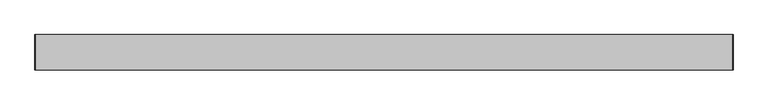
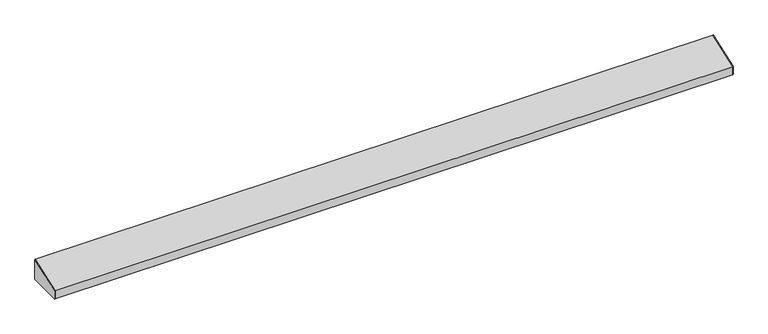
"""IFC4 building model written with IfcOpenShell, lengths in millimetres: furniture geometry."""

from ifc_helpers import new_model, si_unit, frame, origin, place, context, project, spatial, polyline, outline, extrude, source, transform, mapped, element, save


def furniture_2cd4e507(model_context):
    return source(origin(), model_context, "Body", "SweptSolid", [
        extrude(outline(polyline([(-97.4564662, 1102.0597566), (-21.2564662, 1129.3160675), (-21.2564662, 1083.2785675), (-97.4564662, 1083.2785675), (-97.4564662, 1102.0597566)])), frame((766.4502049, 0.0, 0.0), z_axis=(1.0, 0.0, 0.0), x_axis=(0.0, 1.0, 0.0)), (0.0, 0.0, 1.0), 0.79375),
        extrude(outline(polyline([(-21.2564662, 1083.2785675), (-97.4564662, 1083.2785675), (-97.4564662, 1102.0597566), (-21.2564662, 1129.3160675), (-21.2564662, 1083.2785675)])), frame((-729.7685451, 0.0, 0.0), z_axis=(1.0, 0.0, 0.0), x_axis=(0.0, 1.0, 0.0)), (0.0, 0.0, 1.0), 0.79375),
        extrude(outline(polyline([(-21.2564662, 1083.2785675), (-33.9564662, 1083.2785675), (-33.9564662, 1084.0723175), (-22.0502162, 1084.0723175), (-22.0502162, 1128.2334161), (-96.6627162, 1101.554908), (-96.6627162, 1084.0723175), (-84.7564662, 1084.0723175), (-84.7564662, 1083.2785675), (-97.4564662, 1083.2785675), (-97.4564662, 1102.0597566), (-21.2564662, 1129.3160675), (-21.2564662, 1083.2785675)])), frame((-728.9747951, 0.0, 0.0), z_axis=(1.0, 0.0, 0.0), x_axis=(0.0, 1.0, 0.0)), (0.0, 0.0, 1.0), 1495.425),
    ])


if __name__ == "__main__":
    model = new_model("IFC4")
    model_context = context("Model", 3, world=origin())
    ifc_project = project(units=[si_unit("LENGTHUNIT", "METRE", prefix="MILLI")], contexts=[model_context])
    site = spatial("IfcSite", under=ifc_project)
    building = spatial("IfcBuilding", under=site)
    placement = place(None, origin())
    furniture_shape = furniture_2cd4e507(model_context)
    element("IfcFurniture", 1, at=placement, inside=building, context=model_context, shape_type="MappedRepresentation", body=[
        mapped(furniture_shape, transform((0.0, 0.0, 0.0), x_axis=(1.0, 0.0, 0.0), y_axis=(0.0, 1.0, 0.0), z_axis=(0.0, 0.0, 1.0))),
    ])
    save(model, "model.ifc")
